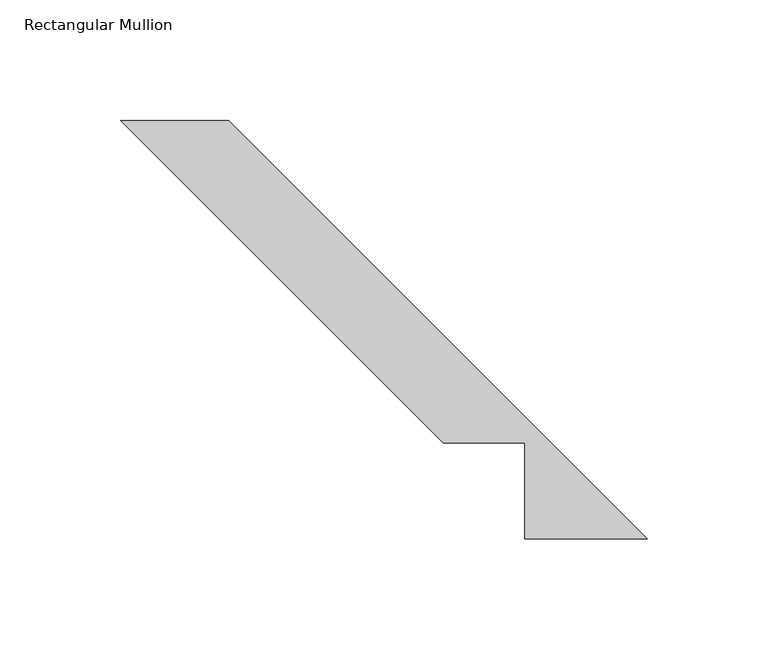
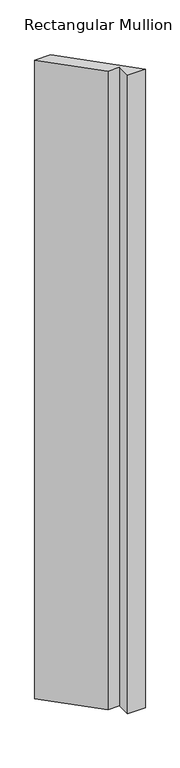
"""IFC4 building model written with IfcOpenShell, lengths in millimetres: member geometry, Rectangular Mullion."""

from ifc_helpers import new_model, si_unit, frame, origin, place, context, project, spatial, polyline, outline, extrude, source, transform, mapped, element, save


def rectangular_mullion_136ee023(model_context):
    return source(origin(), model_context, "Body", "SweptSolid", [
        extrude(outline(polyline([(-236.2739987, 191.3727182), (-191.3727181, 191.3727182), (-17.9577999, 17.9578), (-68.7577999, 17.9578), (-68.7577999, 57.6326), (-102.5338805, 57.6326), (-236.2739987, 191.3727182)])), frame((0.0, 0.0, -1943.1), z_axis=(0.0, 0.0, 1.0), x_axis=(1.0, 0.0, 0.0)), (0.0, 0.0, 1.0), 1943.1),
    ])


if __name__ == "__main__":
    model = new_model("IFC4")
    model_context = context("Model", 3, world=origin())
    ifc_project = project(units=[si_unit("LENGTHUNIT", "METRE", prefix="MILLI")], contexts=[model_context])
    site = spatial("IfcSite", under=ifc_project)
    building = spatial("IfcBuilding", under=site)
    placement = place(None, origin())
    rectangular_mullion_shape = rectangular_mullion_136ee023(model_context)
    element("IfcMember", 1, ObjectType="Rectangular Mullion", at=placement, inside=building, context=model_context, shape_type="MappedRepresentation", body=[
        mapped(rectangular_mullion_shape, transform((0.0, 0.0, 0.0), x_axis=(1.0, 0.0, 0.0), y_axis=(0.0, 1.0, 0.0), z_axis=(0.0, 0.0, 1.0))),
    ])
    save(model, "model.ifc")
